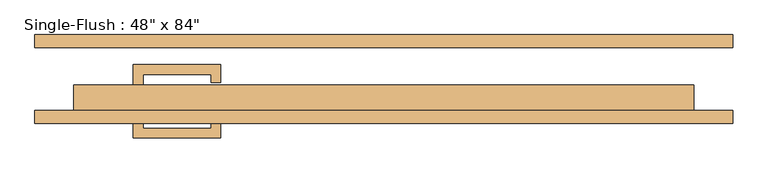
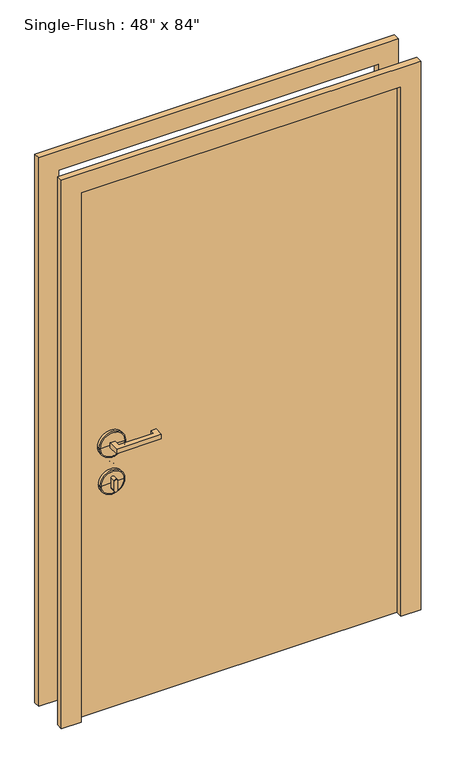
"""IFC4 building model written with IfcOpenShell, lengths in millimetres: door geometry."""

from ifc_helpers import new_model, si_unit, point, frame, frame_2d, origin, origin_with_axes, place, context, project, spatial, polyline, circle_curve, ellipse_curve, trimmed, segment, composite_curve, outline, extrude, source, transform, mapped, element, save
from ifc_brep_helpers import plane_surface, cylinder_surface, revolved_surface, advanced_brep


def door_3eba63ba(model_context):
    return source(origin(), model_context, "Body", "SolidModel", [
        extrude(outline(polyline([(-473.075, -12.7), (-492.125, -12.7), (-492.125, 28.575), (-320.675, 28.575), (-320.675, -6.35), (-339.725, -6.35), (-339.725, 9.525), (-473.075, 9.525), (-473.075, -12.7)])), frame((0.0, 0.0, 1057.275), z_axis=(0.0, 0.0, 1.0), x_axis=(1.0, 0.0, 0.0)), (0.0, 0.0, 1.0), 19.05),
        extrude(outline(composite_curve([segment(trimmed(circle_curve(frame_2d((895.35, -482.6)), 6.35), [point((895.35, -488.95))], [point((895.35, -476.25))], False, "CARTESIAN"), True, "CONTINUOUS"), segment(polyline([(895.35, -476.25), (933.45, -476.25)]), True, "CONTINUOUS"), segment(trimmed(circle_curve(frame_2d((933.45, -482.6)), 6.35), [point((933.45, -476.25))], [point((933.45, -488.95))], False, "CARTESIAN"), True, "CONTINUOUS"), segment(polyline([(933.45, -488.95), (895.35, -488.95)]), True, "CONTINUOUS")], self_intersect=False)), frame((0.0, -12.7, 0.0), z_axis=(0.0, 1.0, 0.0), x_axis=(0.0, 0.0, 1.0)), (0.0, 0.0, 1.0), 22.225),
        advanced_brep(
        [(-434.975, -15.875, 914.4), (-530.225, -15.875, 914.4), (-530.225, -25.4, 914.4), (-434.975, -25.4, 914.4), (-438.15, -12.7, 914.4), (-527.05, -12.7, 914.4), (-482.6, -12.7, 914.4), (-482.6, -25.4, 914.4)],
        [
            (0, 1, circle_curve(frame((-482.6, -15.875, 914.4), z_axis=(0.0, -1.0, 0.0), x_axis=(-1.0, 0.0, 0.0)), 47.625)),
            (1, 2),
            (2, 3, circle_curve(frame((-482.6, -25.4, 914.4), z_axis=(0.0, 1.0, 0.0), x_axis=(-1.0, 0.0, 0.0)), 47.625)),
            (3, 0),
            (1, 0, circle_curve(frame((-482.6, -15.875, 914.4), z_axis=(0.0, -1.0, 0.0), x_axis=(-1.0, 0.0, 0.0)), 47.625)),
            (3, 2, circle_curve(frame((-482.6, -25.4, 914.4), z_axis=(0.0, 1.0, 0.0), x_axis=(-1.0, 0.0, 0.0)), 47.625)),
            (4, 5, circle_curve(frame((-482.6, -12.7, 914.4), z_axis=(0.0, -1.0, 0.0), x_axis=(-1.0, 0.0, 0.0)), 44.45)),
            (5, 1, circle_curve(frame((-527.05, -15.875, 914.4), z_axis=(0.0, 0.0, 1.0), x_axis=(1.0, 0.0, 0.0)), 3.175)),
            (0, 4, circle_curve(frame((-438.15, -15.875, 914.4), z_axis=(0.0, 0.0, 1.0), x_axis=(-1.0, 0.0, 0.0)), 3.175)),
            (5, 4, circle_curve(frame((-482.6, -12.7, 914.4), z_axis=(0.0, -1.0, 0.0), x_axis=(-1.0, 0.0, 0.0)), 44.45)),
            (6, 5),
            (4, 6),
            (2, 7),
            (7, 3),
        ],
        [
            cylinder_surface(frame((-482.6, -152.4, 914.4), z_axis=(0.0, 1.0, 0.0), x_axis=(-1.0, 0.0, 0.0)), 47.625),
            revolved_surface(trimmed(ellipse_curve(frame((-527.05, -15.875, 914.4), z_axis=(0.0, 0.0, -1.0), x_axis=(1.0, 0.0, 0.0)), 3.175, 3.175), [point((-530.225, -15.875, 914.4))], [point((-527.05, -12.7, 914.4))], True, "CARTESIAN"), (-482.6, -152.4, 914.4), (0.0, 1.0, 0.0)),
            plane_surface(frame((-482.6, -12.7, 914.4), z_axis=(0.0, 1.0, 0.0), x_axis=(-1.0, 0.0, 0.0))),
            plane_surface(frame((-482.6, -25.4, 914.4), z_axis=(0.0, -1.0, 0.0), x_axis=(-1.0, 0.0, 0.0))),
        ],
        [
            (0, [[1, 2, 3, 4]]),
            (0, [[5, -4, 6, -2]]),
            (1, [[7, 8, -1, 9]]),
            (1, [[10, -9, -5, -8]]),
            (2, [[11, -7, 12]]),
            (2, [[-12, -10, -11]]),
            (3, [[-3, 13, 14]]),
            (3, [[-6, -14, -13]]),
        ],
    ),
        advanced_brep(
        [(-431.8, -15.875, 1066.8), (-533.4, -15.875, 1066.8), (-533.4, -25.4, 1066.8), (-431.8, -25.4, 1066.8), (-434.975, -12.7, 1066.8), (-530.225, -12.7, 1066.8), (-482.6, -12.7, 1066.8), (-482.6, -25.4, 1066.8)],
        [
            (0, 1, circle_curve(frame((-482.6, -15.875, 1066.8), z_axis=(0.0, -1.0, 0.0), x_axis=(-1.0, 0.0, 0.0)), 50.8)),
            (1, 2),
            (2, 3, circle_curve(frame((-482.6, -25.4, 1066.8), z_axis=(0.0, 1.0, 0.0), x_axis=(-1.0, 0.0, 0.0)), 50.8)),
            (3, 0),
            (1, 0, circle_curve(frame((-482.6, -15.875, 1066.8), z_axis=(0.0, -1.0, 0.0), x_axis=(-1.0, 0.0, 0.0)), 50.8)),
            (3, 2, circle_curve(frame((-482.6, -25.4, 1066.8), z_axis=(0.0, 1.0, 0.0), x_axis=(-1.0, 0.0, 0.0)), 50.8)),
            (4, 5, circle_curve(frame((-482.6, -12.7, 1066.8), z_axis=(0.0, -1.0, 0.0), x_axis=(-1.0, 0.0, 0.0)), 47.625)),
            (5, 1, circle_curve(frame((-530.225, -15.875, 1066.8), z_axis=(0.0, 0.0, 1.0), x_axis=(1.0, 0.0, 0.0)), 3.175)),
            (0, 4, circle_curve(frame((-434.975, -15.875, 1066.8), z_axis=(0.0, 0.0, 1.0), x_axis=(-1.0, 0.0, 0.0)), 3.175)),
            (5, 4, circle_curve(frame((-482.6, -12.7, 1066.8), z_axis=(0.0, -1.0, 0.0), x_axis=(-1.0, 0.0, 0.0)), 47.625)),
            (6, 5),
            (4, 6),
            (2, 7),
            (7, 3),
        ],
        [
            cylinder_surface(frame((-482.6, -152.4, 1066.8), z_axis=(0.0, 1.0, 0.0), x_axis=(-1.0, 0.0, 0.0)), 50.8),
            revolved_surface(trimmed(ellipse_curve(frame((-530.225, -15.875, 1066.8), z_axis=(0.0, 0.0, -1.0), x_axis=(1.0, 0.0, 0.0)), 3.175, 3.175), [point((-533.4, -15.875, 1066.8))], [point((-530.225, -12.7, 1066.8))], True, "CARTESIAN"), (-482.6, -152.4, 1066.8), (0.0, 1.0, 0.0)),
            plane_surface(frame((-482.6, -12.7, 1066.8), z_axis=(0.0, 1.0, 0.0), x_axis=(-1.0, 0.0, 0.0))),
            plane_surface(frame((-482.6, -25.4, 1066.8), z_axis=(0.0, -1.0, 0.0), x_axis=(-1.0, 0.0, 0.0))),
        ],
        [
            (0, [[1, 2, 3, 4]]),
            (0, [[5, -4, 6, -2]]),
            (1, [[7, 8, -1, 9]]),
            (1, [[10, -9, -5, -8]]),
            (2, [[11, -7, 12]]),
            (2, [[-12, -10, -11]]),
            (3, [[-3, 13, 14]]),
            (3, [[-6, -14, -13]]),
        ],
    ),
        extrude(outline(polyline([(-473.075, -74.6125), (-473.075, -96.8375), (-339.725, -96.8375), (-339.725, -80.9625), (-320.675, -80.9625), (-320.675, -115.8875), (-492.125, -115.8875), (-492.125, -74.6125), (-473.075, -74.6125)])), frame((0.0, 0.0, 1057.275), z_axis=(0.0, 0.0, 1.0), x_axis=(1.0, 0.0, 0.0)), (0.0, 0.0, 1.0), 19.05),
        extrude(outline(composite_curve([segment(trimmed(circle_curve(frame_2d((895.35, -482.6)), 6.35), [point((895.35, -488.95))], [point((895.35, -476.25))], False, "CARTESIAN"), True, "CONTINUOUS"), segment(polyline([(895.35, -476.25), (933.45, -476.25)]), True, "CONTINUOUS"), segment(trimmed(circle_curve(frame_2d((933.45, -482.6)), 6.35), [point((933.45, -476.25))], [point((933.45, -488.95))], False, "CARTESIAN"), True, "CONTINUOUS"), segment(polyline([(933.45, -488.95), (895.35, -488.95)]), True, "CONTINUOUS")], self_intersect=False)), frame((0.0, -96.8375, 0.0), z_axis=(0.0, 1.0, 0.0), x_axis=(0.0, 0.0, 1.0)), (0.0, 0.0, 1.0), 22.225),
        advanced_brep(
        [(-434.975, -71.4375, 914.4), (-434.975, -61.9125, 914.4), (-530.225, -61.9125, 914.4), (-530.225, -71.4375, 914.4), (-438.15, -74.6125, 914.4), (-527.05, -74.6125, 914.4), (-482.6, -74.6125, 914.4), (-482.6, -61.9125, 914.4)],
        [
            (0, 1),
            (1, 2, circle_curve(frame((-482.6, -61.9125, 914.4), z_axis=(0.0, -1.0, 0.0), x_axis=(-1.0, 0.0, 0.0)), 47.625)),
            (2, 3),
            (3, 0, circle_curve(frame((-482.6, -71.4375, 914.4), z_axis=(0.0, 1.0, 0.0), x_axis=(-1.0, 0.0, 0.0)), 47.625)),
            (2, 1, circle_curve(frame((-482.6, -61.9125, 914.4), z_axis=(0.0, -1.0, 0.0), x_axis=(-1.0, 0.0, 0.0)), 47.625)),
            (0, 3, circle_curve(frame((-482.6, -71.4375, 914.4), z_axis=(0.0, 1.0, 0.0), x_axis=(-1.0, 0.0, 0.0)), 47.625)),
            (4, 0, circle_curve(frame((-438.15, -71.4375, 914.4), z_axis=(0.0, 0.0, 1.0), x_axis=(-1.0, 0.0, 0.0)), 3.175)),
            (3, 5, circle_curve(frame((-527.05, -71.4375, 914.4), z_axis=(0.0, 0.0, 1.0), x_axis=(1.0, 0.0, 0.0)), 3.175)),
            (5, 4, circle_curve(frame((-482.6, -74.6125, 914.4), z_axis=(0.0, 1.0, 0.0), x_axis=(-1.0, 0.0, 0.0)), 44.45)),
            (4, 5, circle_curve(frame((-482.6, -74.6125, 914.4), z_axis=(0.0, 1.0, 0.0), x_axis=(-1.0, 0.0, 0.0)), 44.45)),
            (6, 4),
            (5, 6),
            (1, 7),
            (7, 2),
        ],
        [
            cylinder_surface(frame((-482.6, 65.0875, 914.4), z_axis=(0.0, -1.0, 0.0), x_axis=(-1.0, 0.0, 0.0)), 47.625),
            revolved_surface(trimmed(ellipse_curve(frame((-527.05, -71.4375, 914.4), z_axis=(0.0, 0.0, 1.0), x_axis=(1.0, 0.0, 0.0)), 3.175, 3.175), [point((-530.225, -71.4375, 914.4))], [point((-527.05, -74.6125, 914.4))], True, "CARTESIAN"), (-482.6, 65.0875, 914.4), (0.0, -1.0, 0.0)),
            plane_surface(frame((-482.6, -74.6125, 914.4), z_axis=(0.0, -1.0, 0.0), x_axis=(-1.0, 0.0, 0.0))),
            plane_surface(frame((-482.6, -61.9125, 914.4), z_axis=(0.0, 1.0, 0.0), x_axis=(-1.0, 0.0, 0.0))),
        ],
        [
            (0, [[1, 2, 3, 4]]),
            (0, [[-3, 5, -1, 6]]),
            (1, [[7, -4, 8, 9]]),
            (1, [[-8, -6, -7, 10]]),
            (2, [[11, -9, 12]]),
            (2, [[-12, -10, -11]]),
            (3, [[13, 14, -2]]),
            (3, [[-14, -13, -5]]),
        ],
    ),
        advanced_brep(
        [(-431.8, -71.4375, 1066.8), (-431.8, -61.9125, 1066.8), (-533.4, -61.9125, 1066.8), (-533.4, -71.4375, 1066.8), (-434.975, -74.6125, 1066.8), (-530.225, -74.6125, 1066.8), (-482.6, -74.6125, 1066.8), (-482.6, -61.9125, 1066.8)],
        [
            (0, 1),
            (1, 2, circle_curve(frame((-482.6, -61.9125, 1066.8), z_axis=(0.0, -1.0, 0.0), x_axis=(-1.0, 0.0, 0.0)), 50.8)),
            (2, 3),
            (3, 0, circle_curve(frame((-482.6, -71.4375, 1066.8), z_axis=(0.0, 1.0, 0.0), x_axis=(-1.0, 0.0, 0.0)), 50.8)),
            (2, 1, circle_curve(frame((-482.6, -61.9125, 1066.8), z_axis=(0.0, -1.0, 0.0), x_axis=(-1.0, 0.0, 0.0)), 50.8)),
            (0, 3, circle_curve(frame((-482.6, -71.4375, 1066.8), z_axis=(0.0, 1.0, 0.0), x_axis=(-1.0, 0.0, 0.0)), 50.8)),
            (4, 0, circle_curve(frame((-434.975, -71.4375, 1066.8), z_axis=(0.0, 0.0, 1.0), x_axis=(-1.0, 0.0, 0.0)), 3.175)),
            (3, 5, circle_curve(frame((-530.225, -71.4375, 1066.8), z_axis=(0.0, 0.0, 1.0), x_axis=(1.0, 0.0, 0.0)), 3.175)),
            (5, 4, circle_curve(frame((-482.6, -74.6125, 1066.8), z_axis=(0.0, 1.0, 0.0), x_axis=(-1.0, 0.0, 0.0)), 47.625)),
            (4, 5, circle_curve(frame((-482.6, -74.6125, 1066.8), z_axis=(0.0, 1.0, 0.0), x_axis=(-1.0, 0.0, 0.0)), 47.625)),
            (6, 4),
            (5, 6),
            (1, 7),
            (7, 2),
        ],
        [
            cylinder_surface(frame((-482.6, 65.0875, 1066.8), z_axis=(0.0, -1.0, 0.0), x_axis=(-1.0, 0.0, 0.0)), 50.8),
            revolved_surface(trimmed(ellipse_curve(frame((-530.225, -71.4375, 1066.8), z_axis=(0.0, 0.0, 1.0), x_axis=(1.0, 0.0, 0.0)), 3.175, 3.175), [point((-533.4, -71.4375, 1066.8))], [point((-530.225, -74.6125, 1066.8))], True, "CARTESIAN"), (-482.6, 65.0875, 1066.8), (0.0, -1.0, 0.0)),
            plane_surface(frame((-482.6, -74.6125, 1066.8), z_axis=(0.0, -1.0, 0.0), x_axis=(-1.0, 0.0, 0.0))),
            plane_surface(frame((-482.6, -61.9125, 1066.8), z_axis=(0.0, 1.0, 0.0), x_axis=(-1.0, 0.0, 0.0))),
        ],
        [
            (0, [[1, 2, 3, 4]]),
            (0, [[-3, 5, -1, 6]]),
            (1, [[7, -4, 8, 9]]),
            (1, [[-8, -6, -7, 10]]),
            (2, [[11, -9, 12]]),
            (2, [[-12, -10, -11]]),
            (3, [[13, 14, -2]]),
            (3, [[-14, -13, -5]]),
        ],
    ),
        extrude(outline(polyline([(2209.8, -685.8), (0.0, -685.8), (0.0, -609.6), (2133.6, -609.6), (2133.6, 609.6), (0.0, 609.6), (0.0, 685.8), (2209.8, 685.8), (2209.8, -685.8)])), frame((0.0, -87.3125, 0.0), z_axis=(0.0, 1.0, 0.0), x_axis=(0.0, 0.0, 1.0)), (0.0, 0.0, 1.0), 25.4),
        extrude(outline(polyline([(2209.8, 685.8), (2209.8, -685.8), (0.0, -685.8), (0.0, -609.6), (2133.6, -609.6), (2133.6, 609.6), (0.0, 609.6), (0.0, 685.8), (2209.8, 685.8)])), frame((0.0, 61.9125, 0.0), z_axis=(0.0, 1.0, 0.0), x_axis=(0.0, 0.0, 1.0)), (0.0, 0.0, 1.0), 25.4),
        extrude(outline(polyline([(609.6, -11.1125), (609.6, -61.9125), (-609.6, -61.9125), (-609.6, -11.1125), (609.6, -11.1125)])), origin_with_axes(), (0.0, 0.0, 1.0), 2133.6),
    ])


if __name__ == "__main__":
    model = new_model("IFC4")
    model_context = context("Model", 3, world=origin())
    ifc_project = project(units=[si_unit("LENGTHUNIT", "METRE", prefix="MILLI")], contexts=[model_context])
    site = spatial("IfcSite", under=ifc_project)
    building = spatial("IfcBuilding", under=site)
    placement = place(None, origin())
    door_shape = door_3eba63ba(model_context)
    element("IfcDoor", 1, ObjectType="Single-Flush : 48\" x 84\"", at=placement, inside=building, context=model_context, shape_type="MappedRepresentation", body=[
        mapped(door_shape, transform((0.0, 0.0, 0.0), x_axis=(1.0, 0.0, 0.0), y_axis=(0.0, 1.0, 0.0), z_axis=(0.0, 0.0, 1.0))),
    ])
    save(model, "model.ifc")
